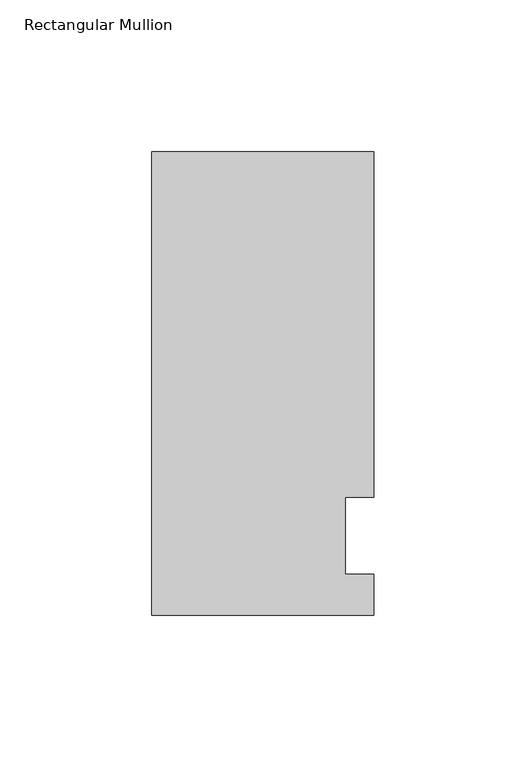
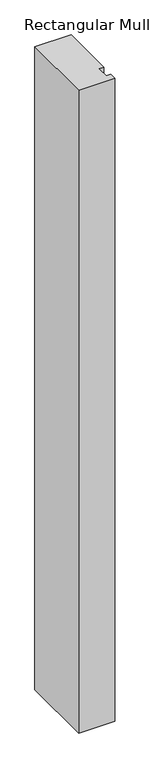
"""IFC4 building model written with IfcOpenShell, lengths in millimetres: member geometry, Rectangular Mullion."""

from ifc_helpers import new_model, si_unit, frame, origin, place, context, project, spatial, polyline, outline, extrude, source, transform, mapped, element, save


def rectangular_mullion_af4a4a6e(model_context):
    return source(origin(), model_context, "Body", "SweptSolid", [
        extrude(outline(polyline([(-36.5125, -26.19375), (-36.5125, 126.20625), (36.5125, 126.20625), (36.5125, 12.7), (26.9875, 12.7), (26.9875, -12.7), (36.5125, -12.7), (36.5125, -26.19375), (-36.5125, -26.19375)])), frame((0.0, 0.0, -1371.6), z_axis=(0.0, 0.0, 1.0), x_axis=(1.0, 0.0, 0.0)), (0.0, 0.0, 1.0), 1371.6),
    ])


if __name__ == "__main__":
    model = new_model("IFC4")
    model_context = context("Model", 3, world=origin())
    ifc_project = project(units=[si_unit("LENGTHUNIT", "METRE", prefix="MILLI")], contexts=[model_context])
    site = spatial("IfcSite", under=ifc_project)
    building = spatial("IfcBuilding", under=site)
    placement = place(None, origin())
    rectangular_mullion_shape = rectangular_mullion_af4a4a6e(model_context)
    element("IfcMember", 1, ObjectType="Rectangular Mullion", at=placement, inside=building, context=model_context, shape_type="MappedRepresentation", body=[
        mapped(rectangular_mullion_shape, transform((0.0, 0.0, 0.0), x_axis=(1.0, 0.0, 0.0), y_axis=(0.0, 1.0, 0.0), z_axis=(0.0, 0.0, 1.0))),
    ])
    save(model, "model.ifc")
